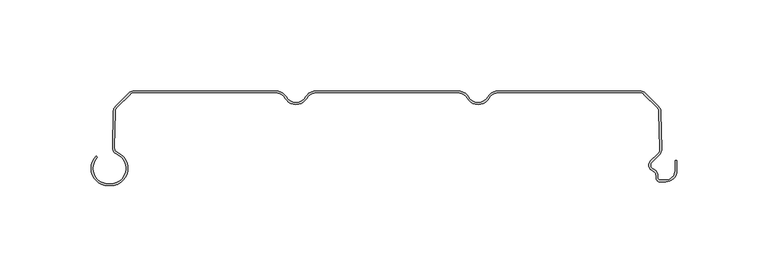
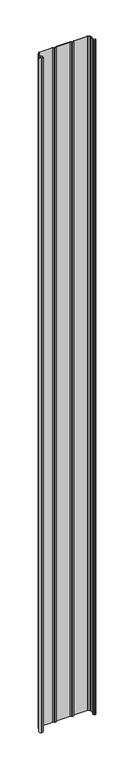
"""IFC4 building model written with IfcOpenShell, lengths in millimetres: plate geometry."""

from ifc_helpers import new_model, si_unit, point, frame_2d, origin, origin_with_axes, place, context, project, spatial, polyline, circle_curve, trimmed, segment, composite_curve, outline, extrude, source, transform, mapped, element, save


def plate_36f61b00(model_context):
    return source(origin(), model_context, "Body", "SweptSolid", [
        extrude(outline(composite_curve([segment(polyline([(-153.0602536, -51.1554676), (-151.8062536, -51.1554676)]), True, "CONTINUOUS"), segment(trimmed(circle_curve(frame_2d((-151.8062536, -42.6554676)), 8.5), [point((-151.8062536, -51.1554676))], [point((-148.2922983, -34.9158218))], True, "CARTESIAN"), True, "CONTINUOUS"), segment(trimmed(circle_curve(frame_2d((-146.5973316, -31.1825808)), 4.1), [point((-148.2922983, -34.9158218))], [point((-150.6663398, -30.6794186))], False, "CARTESIAN"), True, "CONTINUOUS"), segment(trimmed(circle_curve(frame_2d((-249.5345923, -19.4848369)), 99.5), [point((-150.6663398, -30.6794186))], [point((-150.32984, -11.8253904))], True, "CARTESIAN"), True, "CONTINUOUS"), segment(trimmed(circle_curve(frame_2d((-146.2516341, -11.4032093)), 4.1), [point((-150.32984, -11.8253904))], [point((-149.1507719, -8.5040715))], False, "CARTESIAN"), True, "CONTINUOUS"), segment(polyline([(-149.1507719, -8.5040715), (-141.8475626, -1.2008622)]), True, "CONTINUOUS"), segment(trimmed(circle_curve(frame_2d((-138.9484248, -4.1)), 4.1), [point((-141.8475626, -1.2008622))], [point((-138.9484248, 0.0))], False, "CARTESIAN"), True, "CONTINUOUS"), segment(polyline([(-138.9484248, 0.0), (-61.2583302, 0.0)]), True, "CONTINUOUS"), segment(trimmed(circle_curve(frame_2d((-61.2583302, -7.0)), 7.0), [point((-61.2583302, 0.0))], [point((-55.1961524, -3.5))], False, "CARTESIAN"), True, "CONTINUOUS"), segment(trimmed(circle_curve(frame_2d((-50.0, -0.5)), 6.0), [point((-55.1961524, -3.5))], [point((-50.0, -6.5))], True, "CARTESIAN"), True, "CONTINUOUS"), segment(trimmed(circle_curve(frame_2d((-50.0, -0.5)), 6.0), [point((-50.0, -6.5))], [point((-44.8038476, -3.5))], True, "CARTESIAN"), True, "CONTINUOUS"), segment(trimmed(circle_curve(frame_2d((-38.7416698, -7.0)), 7.0), [point((-44.8038476, -3.5))], [point((-38.7416698, 0.0))], False, "CARTESIAN"), True, "CONTINUOUS"), segment(polyline([(-38.7416698, 0.0), (38.7416698, 0.0)]), True, "CONTINUOUS"), segment(trimmed(circle_curve(frame_2d((38.7416698, -7.0)), 7.0), [point((38.7416698, 0.0))], [point((44.8038476, -3.5))], False, "CARTESIAN"), True, "CONTINUOUS"), segment(trimmed(circle_curve(frame_2d((50.0, -0.5)), 6.0), [point((44.8038476, -3.5))], [point((50.0, -6.5))], True, "CARTESIAN"), True, "CONTINUOUS"), segment(trimmed(circle_curve(frame_2d((50.0, -0.5)), 6.0), [point((50.0, -6.5))], [point((55.1961524, -3.5))], True, "CARTESIAN"), True, "CONTINUOUS"), segment(trimmed(circle_curve(frame_2d((61.2583302, -7.0)), 7.0), [point((55.1961524, -3.5))], [point((61.2583302, 0.0))], False, "CARTESIAN"), True, "CONTINUOUS"), segment(polyline([(61.2583302, 0.0), (138.9484248, 0.0)]), True, "CONTINUOUS"), segment(trimmed(circle_curve(frame_2d((138.9484248, -4.1)), 4.1), [point((138.9484248, 0.0))], [point((141.8475626, -1.2008622))], False, "CARTESIAN"), True, "CONTINUOUS"), segment(polyline([(141.8475626, -1.2008622), (149.1502639, -8.5035635)]), True, "CONTINUOUS"), segment(trimmed(circle_curve(frame_2d((146.2511261, -11.4027013)), 4.1), [point((149.1502639, -8.5035635))], [point((150.3293418, -11.8247881))], False, "CARTESIAN"), True, "CONTINUOUS"), segment(trimmed(circle_curve(frame_2d((249.5375761, -19.4390014)), 99.5), [point((150.3293418, -11.8247881))], [point((150.7850442, -31.6122279))], True, "CARTESIAN"), True, "CONTINUOUS"), segment(trimmed(circle_curve(frame_2d((146.4914801, -32.1706247)), 4.3297228), [point((150.7850442, -31.6122279))], [point((149.4270442, -35.3532279))], False, "CARTESIAN"), True, "CONTINUOUS"), segment(polyline([(149.4270442, -35.3532279), (145.3931689, -39.3871033)]), True, "CONTINUOUS"), segment(trimmed(circle_curve(frame_2d((146.9488038, -40.9427382)), 2.2), [point((145.3931689, -39.3871033))], [point((146.1238712, -42.98222))], True, "CARTESIAN"), True, "CONTINUOUS"), segment(trimmed(circle_curve(frame_2d((144.549, -46.8757763)), 4.2), [point((146.1238712, -42.98222))], [point((148.749, -46.8757763))], False, "CARTESIAN"), True, "CONTINUOUS"), segment(polyline([(148.749, -46.8757763), (148.749, -48.0)]), True, "CONTINUOUS"), segment(trimmed(circle_curve(frame_2d((149.749, -48.0)), 1.0), [point((148.749, -48.0))], [point((149.749, -49.0))], True, "CARTESIAN"), True, "CONTINUOUS"), segment(polyline([(149.749, -49.0), (153.05, -49.0)]), True, "CONTINUOUS"), segment(trimmed(circle_curve(frame_2d((153.05, -43.8)), 5.2), [point((153.05, -49.0))], [point((158.25, -43.8))], True, "CARTESIAN"), True, "CONTINUOUS"), segment(polyline([(158.25, -43.8), (158.25, -38.169), (159.25, -38.169), (159.25, -43.8)]), True, "CONTINUOUS"), segment(trimmed(circle_curve(frame_2d((153.05, -43.8)), 6.2), [point((159.25, -43.8))], [point((153.05, -50.0))], False, "CARTESIAN"), True, "CONTINUOUS"), segment(polyline([(153.05, -50.0), (149.749, -50.0)]), True, "CONTINUOUS"), segment(trimmed(circle_curve(frame_2d((149.749, -48.0)), 2.0), [point((149.749, -50.0))], [point((147.749, -48.0))], False, "CARTESIAN"), True, "CONTINUOUS"), segment(polyline([(147.749, -48.0), (147.749, -46.8757763)]), True, "CONTINUOUS"), segment(trimmed(circle_curve(frame_2d((144.549, -46.8757763)), 3.2), [point((147.749, -46.8757763))], [point((145.7489019, -43.9092572))], True, "CARTESIAN"), True, "CONTINUOUS"), segment(trimmed(circle_curve(frame_2d((146.9488038, -40.9427382)), 3.2), [point((145.7489019, -43.9092572))], [point((144.6860621, -38.6799965))], False, "CARTESIAN"), True, "CONTINUOUS"), segment(polyline([(144.6860621, -38.6799965), (148.7351433, -34.6309152)]), True, "CONTINUOUS"), segment(trimmed(circle_curve(frame_2d((146.4914801, -32.1706247)), 3.3297228), [point((148.7351433, -34.6309152))], [point((149.7929927, -31.7381109))], True, "CARTESIAN"), True, "CONTINUOUS"), segment(trimmed(circle_curve(frame_2d((249.5375761, -19.4390014)), 100.5), [point((149.7929927, -31.7381109))], [point((149.3333637, -11.7340799))], False, "CARTESIAN"), True, "CONTINUOUS"), segment(trimmed(circle_curve(frame_2d((146.2511261, -11.4027013)), 3.1), [point((149.3333637, -11.7340799))], [point((148.4431572, -9.2106703))], True, "CARTESIAN"), True, "CONTINUOUS"), segment(polyline([(148.4431572, -9.2106703), (141.1404559, -1.907969)]), True, "CONTINUOUS"), segment(trimmed(circle_curve(frame_2d((138.9484248, -4.1)), 3.1), [point((141.1404559, -1.907969))], [point((138.9484248, -1.0))], True, "CARTESIAN"), True, "CONTINUOUS"), segment(polyline([(138.9484248, -1.0), (61.2583302, -1.0)]), True, "CONTINUOUS"), segment(trimmed(circle_curve(frame_2d((61.2583302, -7.0)), 6.0), [point((61.2583302, -1.0))], [point((56.0621778, -4.0))], True, "CARTESIAN"), True, "CONTINUOUS"), segment(trimmed(circle_curve(frame_2d((50.0, -0.5)), 7.0), [point((56.0621778, -4.0))], [point((50.0, -7.5))], False, "CARTESIAN"), True, "CONTINUOUS"), segment(trimmed(circle_curve(frame_2d((50.0, -0.5)), 7.0), [point((50.0, -7.5))], [point((43.9378222, -4.0))], False, "CARTESIAN"), True, "CONTINUOUS"), segment(trimmed(circle_curve(frame_2d((38.7416698, -7.0)), 6.0), [point((43.9378222, -4.0))], [point((38.7416698, -1.0))], True, "CARTESIAN"), True, "CONTINUOUS"), segment(polyline([(38.7416698, -1.0), (-38.7416698, -1.0)]), True, "CONTINUOUS"), segment(trimmed(circle_curve(frame_2d((-38.7416698, -7.0)), 6.0), [point((-38.7416698, -1.0))], [point((-43.9378222, -4.0))], True, "CARTESIAN"), True, "CONTINUOUS"), segment(trimmed(circle_curve(frame_2d((-50.0, -0.5)), 7.0), [point((-43.9378222, -4.0))], [point((-50.0, -7.5))], False, "CARTESIAN"), True, "CONTINUOUS"), segment(trimmed(circle_curve(frame_2d((-50.0, -0.5)), 7.0), [point((-50.0, -7.5))], [point((-56.0621778, -4.0))], False, "CARTESIAN"), True, "CONTINUOUS"), segment(trimmed(circle_curve(frame_2d((-61.2583302, -7.0)), 6.0), [point((-56.0621778, -4.0))], [point((-61.2583302, -1.0))], True, "CARTESIAN"), True, "CONTINUOUS"), segment(polyline([(-61.2583302, -1.0), (-138.9484248, -1.0)]), True, "CONTINUOUS"), segment(trimmed(circle_curve(frame_2d((-138.9484248, -4.1)), 3.1), [point((-138.9484248, -1.0))], [point((-141.1404559, -1.907969))], True, "CARTESIAN"), True, "CONTINUOUS"), segment(polyline([(-141.1404559, -1.907969), (-148.4436651, -9.2111782)]), True, "CONTINUOUS"), segment(trimmed(circle_curve(frame_2d((-146.2516341, -11.4032093)), 3.1), [point((-148.4436651, -9.2111782))], [point((-149.3338854, -11.7344595))], True, "CARTESIAN"), True, "CONTINUOUS"), segment(trimmed(circle_curve(frame_2d((-249.5345923, -19.4848369)), 100.5), [point((-149.3338854, -11.7344595))], [point((-149.6733096, -30.7974064))], False, "CARTESIAN"), True, "CONTINUOUS"), segment(trimmed(circle_curve(frame_2d((-146.5973316, -31.1825808)), 3.1), [point((-149.6733096, -30.7974064))], [point((-147.8788918, -34.0052752))], True, "CARTESIAN"), True, "CONTINUOUS"), segment(trimmed(circle_curve(frame_2d((-151.8062536, -42.6554676)), 9.5), [point((-147.8788918, -34.0052752))], [point((-151.8062536, -52.1554676))], False, "CARTESIAN"), True, "CONTINUOUS"), segment(polyline([(-151.8062536, -52.1554676), (-153.0602536, -52.1554676)]), True, "CONTINUOUS"), segment(trimmed(circle_curve(frame_2d((-153.0602536, -42.6554676)), 9.5), [point((-153.0602536, -52.1554676))], [point((-159.777768, -35.9379532))], False, "CARTESIAN"), True, "CONTINUOUS"), segment(polyline([(-159.777768, -35.9379532), (-159.0706612, -36.64506)]), True, "CONTINUOUS"), segment(trimmed(circle_curve(frame_2d((-153.0602536, -42.6554676)), 8.5), [point((-159.0706612, -36.64506))], [point((-153.0602536, -51.1554676))], True, "CARTESIAN"), True, "CONTINUOUS")], self_intersect=False)), origin_with_axes(), (0.0, 0.0, 1.0), 4061.7064475),
    ])


if __name__ == "__main__":
    model = new_model("IFC4")
    model_context = context("Model", 3, world=origin())
    ifc_project = project(units=[si_unit("LENGTHUNIT", "METRE", prefix="MILLI")], contexts=[model_context])
    site = spatial("IfcSite", under=ifc_project)
    building = spatial("IfcBuilding", under=site)
    placement = place(None, origin())
    plate_shape = plate_36f61b00(model_context)
    element("IfcPlate", 1, at=placement, inside=building, context=model_context, shape_type="MappedRepresentation", body=[
        mapped(plate_shape, transform((0.0, 0.0, 0.0), x_axis=(1.0, 0.0, 0.0), y_axis=(0.0, 1.0, 0.0), z_axis=(0.0, 0.0, 1.0))),
    ])
    save(model, "model.ifc")
